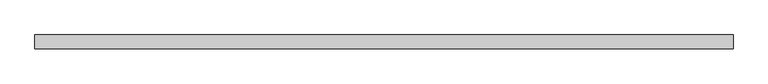
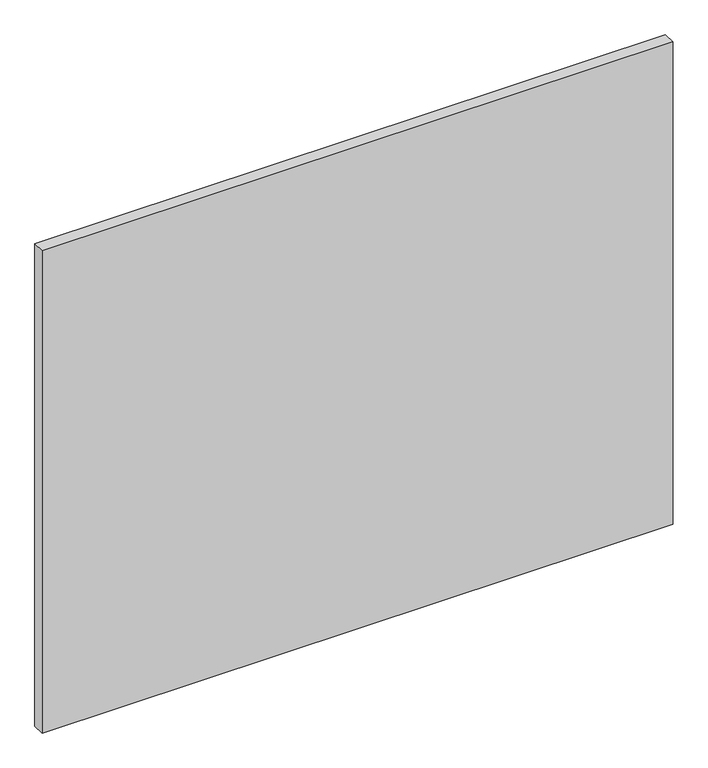
"""IFC4 building model written with IfcOpenShell, lengths in millimetres: plate geometry."""

from ifc_helpers import new_model, si_unit, origin, origin_with_axes, place, context, project, spatial, polyline, outline, extrude, source, transform, mapped, element, save


def plate_dfae4387(model_context):
    return source(origin(), model_context, "Body", "SweptSolid", [
        extrude(outline(polyline([(893.8125, -17.5), (-893.8125, -17.5), (-893.8125, 17.5), (893.8125, 17.5), (893.8125, -17.5)])), origin_with_axes(), (0.0, 0.0, 1.0), 1443.8125),
    ])


if __name__ == "__main__":
    model = new_model("IFC4")
    model_context = context("Model", 3, world=origin())
    ifc_project = project(units=[si_unit("LENGTHUNIT", "METRE", prefix="MILLI")], contexts=[model_context])
    site = spatial("IfcSite", under=ifc_project)
    building = spatial("IfcBuilding", under=site)
    placement = place(None, origin())
    plate_shape = plate_dfae4387(model_context)
    element("IfcPlate", 1, at=placement, inside=building, context=model_context, shape_type="MappedRepresentation", body=[
        mapped(plate_shape, transform((0.0, 0.0, 0.0), x_axis=(1.0, 0.0, 0.0), y_axis=(0.0, 1.0, 0.0), z_axis=(0.0, 0.0, 1.0))),
    ])
    save(model, "model.ifc")
